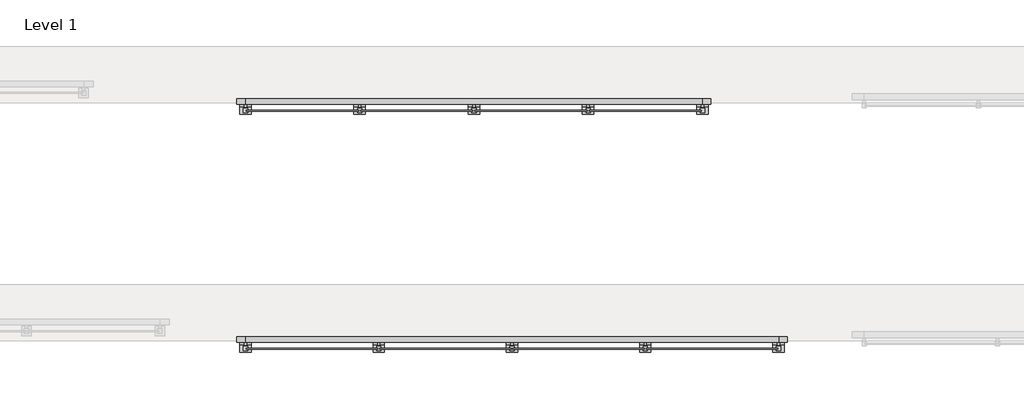
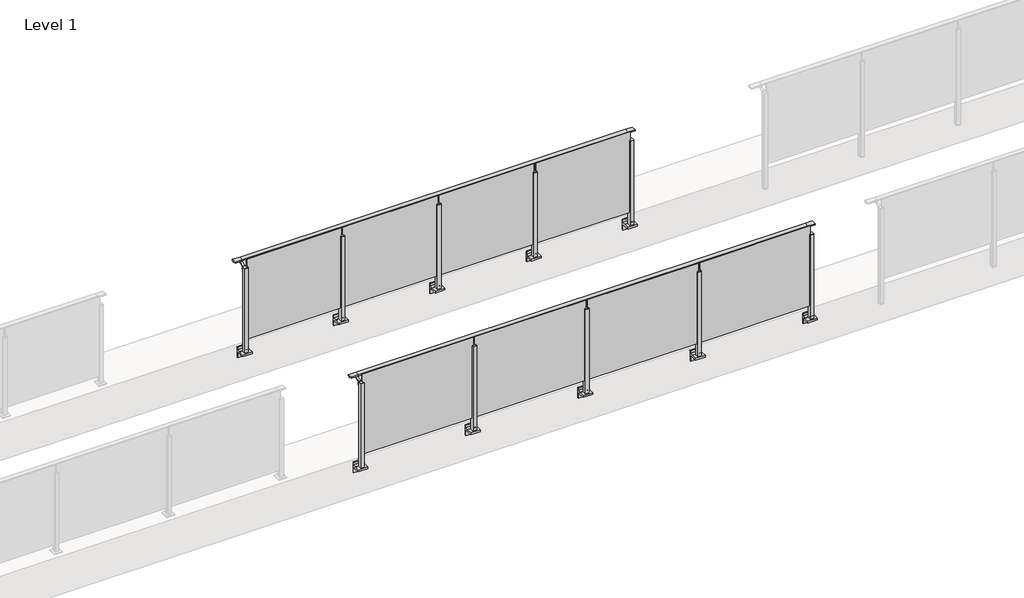
# One storey, part 59 of 64: 2 railings.
"""IFC4 building model written with IfcOpenShell, lengths in millimetres."""

from ifc_helpers import new_model, si_unit, point, frame, frame_2d, origin, place, context, project, spatial, polyline, circle_curve, trimmed, segment, composite_curve, outline, extrude, faceted_brep, element, save

model = new_model("IFC4")

# Units and contexts
model_context = context("Model", 3, world=origin())
ifc_project = project(units=[si_unit("LENGTHUNIT", "METRE", prefix="MILLI")], contexts=[model_context])

# Site, building, storey
site = spatial("IfcSite", under=ifc_project)
building = spatial("IfcBuilding", under=site)
storey = spatial("IfcBuildingStorey", under=building, Name="Level 1", Elevation=0.0)

# Railings
placement = place(None, origin())
element("IfcRailing", 1, at=placement, inside=storey, context=model_context, shape_type="SolidModel", body=[
    faceted_brep([(42910.0, 47443.1846828, 1100.0), (42910.0, 47443.1846828, 1085.0), (42910.0, 47428.1846828, 1085.0), (42910.0, 47428.1846828, 1073.0), (42910.0, 47423.1846828, 1073.0), (42910.0, 47423.1846828, 1085.0), (42910.0, 47383.1846828, 1085.0), (42910.0, 47383.1846828, 1100.0), (43000.0, 47443.1846828, 1100.0), (43000.0, 47443.1846828, 1085.0), (43000.0, 47423.1846828, 1085.0), (43000.0, 47383.1846828, 1085.0), (43000.0, 47383.1846828, 1100.0), (47800.0, 47443.1846828, 1100.0), (47800.0, 47443.1846828, 1085.0), (47800.0, 47423.1846828, 1085.0), (47800.0, 47383.1846828, 1085.0), (47800.0, 47383.1846828, 1100.0), (47890.0, 47443.1846828, 1100.0), (47890.0, 47383.1846828, 1100.0), (47890.0, 47383.1846828, 1085.0), (47890.0, 47423.1846828, 1085.0), (47890.0, 47423.1846828, 1073.0), (47890.0, 47428.1846828, 1073.0), (47890.0, 47428.1846828, 1085.0), (47890.0, 47443.1846828, 1085.0), (43000.0, 47428.1846828, 1085.0), (47800.0, 47428.1846828, 1085.0), (43000.0, 47428.1846828, 1073.0), (43000.0, 47423.1846828, 1073.0), (47800.0, 47428.1846828, 1073.0), (47800.0, 47423.1846828, 1073.0)], [[[0, 1, 2, 3, 4, 5, 6, 7]], [[1, 0, 8, 9]], [[6, 5, 10, 11]], [[7, 6, 11, 12]], [[0, 7, 12, 8]], [[9, 8, 13, 14]], [[11, 10, 15, 16]], [[12, 11, 16, 17]], [[8, 12, 17, 13]], [[18, 19, 20, 21, 22, 23, 24, 25]], [[14, 13, 18, 25]], [[16, 15, 21, 20]], [[17, 16, 20, 19]], [[13, 17, 19, 18]], [[2, 1, 9, 26]], [[26, 9, 14, 27]], [[27, 14, 25, 24]], [[3, 2, 26, 28]], [[4, 3, 28, 29]], [[5, 4, 29, 10]], [[28, 26, 27, 30]], [[29, 28, 30, 31]], [[10, 29, 31, 15]], [[30, 27, 24, 23]], [[31, 30, 23, 22]], [[15, 31, 22, 21]]]),
    extrude(outline(polyline([(46610.0, 47311.9094929), (46610.0, 47321.9094929), (47790.0, 47321.9094929), (47790.0, 47311.9094929), (46610.0, 47311.9094929)])), frame((0.0, 0.0, 95.0), z_axis=(0.0, 0.0, 1.0), x_axis=(1.0, 0.0, 0.0)), (0.0, 0.0, 1.0), 1055.0),
    extrude(outline(composite_curve([segment(polyline([(47438.1846828, 1085.0), (47438.1846828, 1060.900037)]), True, "CONTINUOUS"), segment(trimmed(circle_curve(frame_2d((47428.1846828, 1060.900037)), 10.0), [point((47438.1846828, 1060.900037))], [point((47430.7728733, 1051.2407787))], False, "CARTESIAN"), True, "CONTINUOUS"), segment(polyline([(47430.7728733, 1051.2407787), (47373.7244733, 1035.9547061)]), True, "CONTINUOUS"), segment(trimmed(circle_curve(frame_2d((47376.3126638, 1026.2954478)), 10.0), [point((47373.7244733, 1035.9547061))], [point((47366.3982152, 1027.6007097))], True, "CARTESIAN"), True, "CONTINUOUS"), segment(polyline([(47366.3982152, 1027.6007097), (47361.791393, 992.6084214)]), True, "CONTINUOUS"), segment(trimmed(circle_curve(frame_2d((47358.8170584, 993.0)), 3.0), [point((47361.791393, 992.6084214))], [point((47358.8170584, 990.0))], False, "CARTESIAN"), True, "CONTINUOUS"), segment(polyline([(47358.8170584, 990.0), (47350.1846828, 990.0), (47350.1846828, 1040.0), (47414.1846828, 1057.1487483), (47414.1846828, 1085.0), (47438.1846828, 1085.0)]), True, "CONTINUOUS")], self_intersect=False)), frame((46587.5, 0.0, 0.0), z_axis=(1.0, 0.0, 0.0), x_axis=(0.0, 1.0, 0.0)), (0.0, 0.0, 1.0), 25.0),
    extrude(outline(composite_curve([segment(polyline([(47350.1846828, -70.0), (47384.1846828, -63.0), (47384.1846828, -32.5), (47400.1846828, -32.5), (47400.1846828, -167.5), (47384.1846828, -167.5), (47384.1846828, -113.5)]), True, "CONTINUOUS"), segment(trimmed(circle_curve(frame_2d((47364.1846828, -113.5)), 20.0), [point((47384.1846828, -113.5))], [point((47364.1846828, -93.5))], True, "CARTESIAN"), True, "CONTINUOUS"), segment(polyline([(47364.1846828, -93.5), (47280.1846828, -93.5), (47280.1846828, -70.0), (47350.1846828, -70.0)]), True, "CONTINUOUS")], self_intersect=False)), frame((46540.0, 0.0, 0.0), z_axis=(1.0, 0.0, 0.0), x_axis=(0.0, 1.0, 0.0)), (0.0, 0.0, 1.0), 120.0),
    extrude(outline(polyline([(46622.5, 47340.1846828), (46622.5, 47295.1846828), (46577.5, 47295.1846828), (46577.5, 47340.1846828), (46622.5, 47340.1846828)])), frame((0.0, 0.0, -70.0), z_axis=(0.0, 0.0, 1.0), x_axis=(1.0, 0.0, 0.0)), (0.0, 0.0, 1.0), 1110.0),
    extrude(outline(polyline([(46622.5, 47340.1846828), (46622.5, 47295.1846828), (46577.5, 47295.1846828), (46577.5, 47340.1846828), (46622.5, 47340.1846828)])), frame((0.0, 0.0, 1040.0), z_axis=(0.0, 0.0, 1.0), x_axis=(1.0, 0.0, 0.0)), (0.0, 0.0, 1.0), 5.0),
    extrude(outline(polyline([(45410.0, 47311.9094929), (45410.0, 47321.9094929), (46590.0, 47321.9094929), (46590.0, 47311.9094929), (45410.0, 47311.9094929)])), frame((0.0, 0.0, 95.0), z_axis=(0.0, 0.0, 1.0), x_axis=(1.0, 0.0, 0.0)), (0.0, 0.0, 1.0), 1055.0),
    extrude(outline(composite_curve([segment(polyline([(47438.1846828, 1085.0), (47438.1846828, 1060.900037)]), True, "CONTINUOUS"), segment(trimmed(circle_curve(frame_2d((47428.1846828, 1060.900037)), 10.0), [point((47438.1846828, 1060.900037))], [point((47430.7728733, 1051.2407787))], False, "CARTESIAN"), True, "CONTINUOUS"), segment(polyline([(47430.7728733, 1051.2407787), (47373.7244733, 1035.9547061)]), True, "CONTINUOUS"), segment(trimmed(circle_curve(frame_2d((47376.3126638, 1026.2954478)), 10.0), [point((47373.7244733, 1035.9547061))], [point((47366.3982152, 1027.6007097))], True, "CARTESIAN"), True, "CONTINUOUS"), segment(polyline([(47366.3982152, 1027.6007097), (47361.791393, 992.6084214)]), True, "CONTINUOUS"), segment(trimmed(circle_curve(frame_2d((47358.8170584, 993.0)), 3.0), [point((47361.791393, 992.6084214))], [point((47358.8170584, 990.0))], False, "CARTESIAN"), True, "CONTINUOUS"), segment(polyline([(47358.8170584, 990.0), (47350.1846828, 990.0), (47350.1846828, 1040.0), (47414.1846828, 1057.1487483), (47414.1846828, 1085.0), (47438.1846828, 1085.0)]), True, "CONTINUOUS")], self_intersect=False)), frame((45387.5, 0.0, 0.0), z_axis=(1.0, 0.0, 0.0), x_axis=(0.0, 1.0, 0.0)), (0.0, 0.0, 1.0), 25.0),
    extrude(outline(composite_curve([segment(polyline([(47350.1846828, -70.0), (47384.1846828, -63.0), (47384.1846828, -32.5), (47400.1846828, -32.5), (47400.1846828, -167.5), (47384.1846828, -167.5), (47384.1846828, -113.5)]), True, "CONTINUOUS"), segment(trimmed(circle_curve(frame_2d((47364.1846828, -113.5)), 20.0), [point((47384.1846828, -113.5))], [point((47364.1846828, -93.5))], True, "CARTESIAN"), True, "CONTINUOUS"), segment(polyline([(47364.1846828, -93.5), (47280.1846828, -93.5), (47280.1846828, -70.0), (47350.1846828, -70.0)]), True, "CONTINUOUS")], self_intersect=False)), frame((45340.0, 0.0, 0.0), z_axis=(1.0, 0.0, 0.0), x_axis=(0.0, 1.0, 0.0)), (0.0, 0.0, 1.0), 120.0),
    extrude(outline(polyline([(45422.5, 47340.1846828), (45422.5, 47295.1846828), (45377.5, 47295.1846828), (45377.5, 47340.1846828), (45422.5, 47340.1846828)])), frame((0.0, 0.0, -70.0), z_axis=(0.0, 0.0, 1.0), x_axis=(1.0, 0.0, 0.0)), (0.0, 0.0, 1.0), 1110.0),
    extrude(outline(polyline([(45422.5, 47340.1846828), (45422.5, 47295.1846828), (45377.5, 47295.1846828), (45377.5, 47340.1846828), (45422.5, 47340.1846828)])), frame((0.0, 0.0, 1040.0), z_axis=(0.0, 0.0, 1.0), x_axis=(1.0, 0.0, 0.0)), (0.0, 0.0, 1.0), 5.0),
    extrude(outline(polyline([(44210.0, 47311.9094929), (44210.0, 47321.9094929), (45390.0, 47321.9094929), (45390.0, 47311.9094929), (44210.0, 47311.9094929)])), frame((0.0, 0.0, 95.0), z_axis=(0.0, 0.0, 1.0), x_axis=(1.0, 0.0, 0.0)), (0.0, 0.0, 1.0), 1055.0),
    extrude(outline(composite_curve([segment(polyline([(47438.1846828, 1085.0), (47438.1846828, 1060.900037)]), True, "CONTINUOUS"), segment(trimmed(circle_curve(frame_2d((47428.1846828, 1060.900037)), 10.0), [point((47438.1846828, 1060.900037))], [point((47430.7728733, 1051.2407787))], False, "CARTESIAN"), True, "CONTINUOUS"), segment(polyline([(47430.7728733, 1051.2407787), (47373.7244733, 1035.9547061)]), True, "CONTINUOUS"), segment(trimmed(circle_curve(frame_2d((47376.3126638, 1026.2954478)), 10.0), [point((47373.7244733, 1035.9547061))], [point((47366.3982152, 1027.6007097))], True, "CARTESIAN"), True, "CONTINUOUS"), segment(polyline([(47366.3982152, 1027.6007097), (47361.791393, 992.6084214)]), True, "CONTINUOUS"), segment(trimmed(circle_curve(frame_2d((47358.8170584, 993.0)), 3.0), [point((47361.791393, 992.6084214))], [point((47358.8170584, 990.0))], False, "CARTESIAN"), True, "CONTINUOUS"), segment(polyline([(47358.8170584, 990.0), (47350.1846828, 990.0), (47350.1846828, 1040.0), (47414.1846828, 1057.1487483), (47414.1846828, 1085.0), (47438.1846828, 1085.0)]), True, "CONTINUOUS")], self_intersect=False)), frame((44187.5, 0.0, 0.0), z_axis=(1.0, 0.0, 0.0), x_axis=(0.0, 1.0, 0.0)), (0.0, 0.0, 1.0), 25.0),
    extrude(outline(composite_curve([segment(polyline([(47350.1846828, -70.0), (47384.1846828, -63.0), (47384.1846828, -32.5), (47400.1846828, -32.5), (47400.1846828, -167.5), (47384.1846828, -167.5), (47384.1846828, -113.5)]), True, "CONTINUOUS"), segment(trimmed(circle_curve(frame_2d((47364.1846828, -113.5)), 20.0), [point((47384.1846828, -113.5))], [point((47364.1846828, -93.5))], True, "CARTESIAN"), True, "CONTINUOUS"), segment(polyline([(47364.1846828, -93.5), (47280.1846828, -93.5), (47280.1846828, -70.0), (47350.1846828, -70.0)]), True, "CONTINUOUS")], self_intersect=False)), frame((44140.0, 0.0, 0.0), z_axis=(1.0, 0.0, 0.0), x_axis=(0.0, 1.0, 0.0)), (0.0, 0.0, 1.0), 120.0),
    extrude(outline(polyline([(44222.5, 47340.1846828), (44222.5, 47295.1846828), (44177.5, 47295.1846828), (44177.5, 47340.1846828), (44222.5, 47340.1846828)])), frame((0.0, 0.0, -70.0), z_axis=(0.0, 0.0, 1.0), x_axis=(1.0, 0.0, 0.0)), (0.0, 0.0, 1.0), 1110.0),
    extrude(outline(polyline([(44222.5, 47340.1846828), (44222.5, 47295.1846828), (44177.5, 47295.1846828), (44177.5, 47340.1846828), (44222.5, 47340.1846828)])), frame((0.0, 0.0, 1040.0), z_axis=(0.0, 0.0, 1.0), x_axis=(1.0, 0.0, 0.0)), (0.0, 0.0, 1.0), 5.0),
    extrude(outline(polyline([(43010.0, 47311.9094929), (43010.0, 47321.9094929), (44190.0, 47321.9094929), (44190.0, 47311.9094929), (43010.0, 47311.9094929)])), frame((0.0, 0.0, 95.0), z_axis=(0.0, 0.0, 1.0), x_axis=(1.0, 0.0, 0.0)), (0.0, 0.0, 1.0), 1055.0),
    extrude(outline(composite_curve([segment(polyline([(47438.1846828, 1085.0), (47438.1846828, 1060.900037)]), True, "CONTINUOUS"), segment(trimmed(circle_curve(frame_2d((47428.1846828, 1060.900037)), 10.0), [point((47438.1846828, 1060.900037))], [point((47430.7728733, 1051.2407787))], False, "CARTESIAN"), True, "CONTINUOUS"), segment(polyline([(47430.7728733, 1051.2407787), (47373.7244733, 1035.9547061)]), True, "CONTINUOUS"), segment(trimmed(circle_curve(frame_2d((47376.3126638, 1026.2954478)), 10.0), [point((47373.7244733, 1035.9547061))], [point((47366.3982152, 1027.6007097))], True, "CARTESIAN"), True, "CONTINUOUS"), segment(polyline([(47366.3982152, 1027.6007097), (47361.791393, 992.6084214)]), True, "CONTINUOUS"), segment(trimmed(circle_curve(frame_2d((47358.8170584, 993.0)), 3.0), [point((47361.791393, 992.6084214))], [point((47358.8170584, 990.0))], False, "CARTESIAN"), True, "CONTINUOUS"), segment(polyline([(47358.8170584, 990.0), (47350.1846828, 990.0), (47350.1846828, 1040.0), (47414.1846828, 1057.1487483), (47414.1846828, 1085.0), (47438.1846828, 1085.0)]), True, "CONTINUOUS")], self_intersect=False)), frame((47787.5, 0.0, 0.0), z_axis=(1.0, 0.0, 0.0), x_axis=(0.0, 1.0, 0.0)), (0.0, 0.0, 1.0), 25.0),
    extrude(outline(composite_curve([segment(polyline([(47350.1846828, -70.0), (47384.1846828, -63.0), (47384.1846828, -32.5), (47400.1846828, -32.5), (47400.1846828, -167.5), (47384.1846828, -167.5), (47384.1846828, -113.5)]), True, "CONTINUOUS"), segment(trimmed(circle_curve(frame_2d((47364.1846828, -113.5)), 20.0), [point((47384.1846828, -113.5))], [point((47364.1846828, -93.5))], True, "CARTESIAN"), True, "CONTINUOUS"), segment(polyline([(47364.1846828, -93.5), (47280.1846828, -93.5), (47280.1846828, -70.0), (47350.1846828, -70.0)]), True, "CONTINUOUS")], self_intersect=False)), frame((47740.0, 0.0, 0.0), z_axis=(1.0, 0.0, 0.0), x_axis=(0.0, 1.0, 0.0)), (0.0, 0.0, 1.0), 120.0),
    extrude(outline(polyline([(47822.5, 47340.1846828), (47822.5, 47295.1846828), (47777.5, 47295.1846828), (47777.5, 47340.1846828), (47822.5, 47340.1846828)])), frame((0.0, 0.0, -70.0), z_axis=(0.0, 0.0, 1.0), x_axis=(1.0, 0.0, 0.0)), (0.0, 0.0, 1.0), 1110.0),
    extrude(outline(polyline([(47822.5, 47340.1846828), (47822.5, 47295.1846828), (47777.5, 47295.1846828), (47777.5, 47340.1846828), (47822.5, 47340.1846828)])), frame((0.0, 0.0, 1040.0), z_axis=(0.0, 0.0, 1.0), x_axis=(1.0, 0.0, 0.0)), (0.0, 0.0, 1.0), 5.0),
    extrude(outline(composite_curve([segment(polyline([(47438.1846828, 1085.0), (47438.1846828, 1060.900037)]), True, "CONTINUOUS"), segment(trimmed(circle_curve(frame_2d((47428.1846828, 1060.900037)), 10.0), [point((47438.1846828, 1060.900037))], [point((47430.7728733, 1051.2407787))], False, "CARTESIAN"), True, "CONTINUOUS"), segment(polyline([(47430.7728733, 1051.2407787), (47373.7244733, 1035.9547061)]), True, "CONTINUOUS"), segment(trimmed(circle_curve(frame_2d((47376.3126638, 1026.2954478)), 10.0), [point((47373.7244733, 1035.9547061))], [point((47366.3982152, 1027.6007097))], True, "CARTESIAN"), True, "CONTINUOUS"), segment(polyline([(47366.3982152, 1027.6007097), (47361.791393, 992.6084214)]), True, "CONTINUOUS"), segment(trimmed(circle_curve(frame_2d((47358.8170584, 993.0)), 3.0), [point((47361.791393, 992.6084214))], [point((47358.8170584, 990.0))], False, "CARTESIAN"), True, "CONTINUOUS"), segment(polyline([(47358.8170584, 990.0), (47350.1846828, 990.0), (47350.1846828, 1040.0), (47414.1846828, 1057.1487483), (47414.1846828, 1085.0), (47438.1846828, 1085.0)]), True, "CONTINUOUS")], self_intersect=False)), frame((42987.5, 0.0, 0.0), z_axis=(1.0, 0.0, 0.0), x_axis=(0.0, 1.0, 0.0)), (0.0, 0.0, 1.0), 25.0),
    extrude(outline(composite_curve([segment(polyline([(47350.1846828, -70.0), (47384.1846828, -63.0), (47384.1846828, -32.5), (47400.1846828, -32.5), (47400.1846828, -167.5), (47384.1846828, -167.5), (47384.1846828, -113.5)]), True, "CONTINUOUS"), segment(trimmed(circle_curve(frame_2d((47364.1846828, -113.5)), 20.0), [point((47384.1846828, -113.5))], [point((47364.1846828, -93.5))], True, "CARTESIAN"), True, "CONTINUOUS"), segment(polyline([(47364.1846828, -93.5), (47280.1846828, -93.5), (47280.1846828, -70.0), (47350.1846828, -70.0)]), True, "CONTINUOUS")], self_intersect=False)), frame((42940.0, 0.0, 0.0), z_axis=(1.0, 0.0, 0.0), x_axis=(0.0, 1.0, 0.0)), (0.0, 0.0, 1.0), 120.0),
    extrude(outline(polyline([(43022.5, 47340.1846828), (43022.5, 47295.1846828), (42977.5, 47295.1846828), (42977.5, 47340.1846828), (43022.5, 47340.1846828)])), frame((0.0, 0.0, -70.0), z_axis=(0.0, 0.0, 1.0), x_axis=(1.0, 0.0, 0.0)), (0.0, 0.0, 1.0), 1110.0),
    extrude(outline(polyline([(43022.5, 47340.1846828), (43022.5, 47295.1846828), (42977.5, 47295.1846828), (42977.5, 47340.1846828), (43022.5, 47340.1846828)])), frame((0.0, 0.0, 1040.0), z_axis=(0.0, 0.0, 1.0), x_axis=(1.0, 0.0, 0.0)), (0.0, 0.0, 1.0), 5.0),
])
element("IfcRailing", 2, at=placement, inside=storey, context=model_context, shape_type="SolidModel", body=[
    faceted_brep([(42910.0, 44943.1846828, 1100.0), (42910.0, 44943.1846828, 1085.0), (42910.0, 44928.1846828, 1085.0), (42910.0, 44928.1846828, 1073.0), (42910.0, 44923.1846828, 1073.0), (42910.0, 44923.1846828, 1085.0), (42910.0, 44883.1846828, 1085.0), (42910.0, 44883.1846828, 1100.0), (43000.0, 44943.1846828, 1100.0), (43000.0, 44943.1846828, 1085.0), (43000.0, 44923.1846828, 1085.0), (43000.0, 44883.1846828, 1085.0), (43000.0, 44883.1846828, 1100.0), (48600.0, 44943.1846828, 1100.0), (48600.0, 44943.1846828, 1085.0), (48600.0, 44923.1846828, 1085.0), (48600.0, 44883.1846828, 1085.0), (48600.0, 44883.1846828, 1100.0), (48690.0, 44943.1846828, 1100.0), (48690.0, 44883.1846828, 1100.0), (48690.0, 44883.1846828, 1085.0), (48690.0, 44923.1846828, 1085.0), (48690.0, 44923.1846828, 1073.0), (48690.0, 44928.1846828, 1073.0), (48690.0, 44928.1846828, 1085.0), (48690.0, 44943.1846828, 1085.0), (43000.0, 44928.1846828, 1085.0), (48600.0, 44928.1846828, 1085.0), (43000.0, 44928.1846828, 1073.0), (43000.0, 44923.1846828, 1073.0), (48600.0, 44928.1846828, 1073.0), (48600.0, 44923.1846828, 1073.0)], [[[0, 1, 2, 3, 4, 5, 6, 7]], [[1, 0, 8, 9]], [[6, 5, 10, 11]], [[7, 6, 11, 12]], [[0, 7, 12, 8]], [[9, 8, 13, 14]], [[11, 10, 15, 16]], [[12, 11, 16, 17]], [[8, 12, 17, 13]], [[18, 19, 20, 21, 22, 23, 24, 25]], [[14, 13, 18, 25]], [[16, 15, 21, 20]], [[17, 16, 20, 19]], [[13, 17, 19, 18]], [[2, 1, 9, 26]], [[26, 9, 14, 27]], [[27, 14, 25, 24]], [[3, 2, 26, 28]], [[4, 3, 28, 29]], [[5, 4, 29, 10]], [[28, 26, 27, 30]], [[29, 28, 30, 31]], [[10, 29, 31, 15]], [[30, 27, 24, 23]], [[31, 30, 23, 22]], [[15, 31, 22, 21]]]),
    extrude(outline(polyline([(47210.0, 44811.9094929), (47210.0, 44821.9094929), (48590.0, 44821.9094929), (48590.0, 44811.9094929), (47210.0, 44811.9094929)])), frame((0.0, 0.0, 95.0), z_axis=(0.0, 0.0, 1.0), x_axis=(1.0, 0.0, 0.0)), (0.0, 0.0, 1.0), 1055.0),
    extrude(outline(composite_curve([segment(polyline([(44938.1846828, 1085.0), (44938.1846828, 1060.900037)]), True, "CONTINUOUS"), segment(trimmed(circle_curve(frame_2d((44928.1846828, 1060.900037)), 10.0), [point((44938.1846828, 1060.900037))], [point((44930.7728733, 1051.2407787))], False, "CARTESIAN"), True, "CONTINUOUS"), segment(polyline([(44930.7728733, 1051.2407787), (44873.7244733, 1035.9547061)]), True, "CONTINUOUS"), segment(trimmed(circle_curve(frame_2d((44876.3126638, 1026.2954478)), 10.0), [point((44873.7244733, 1035.9547061))], [point((44866.3982152, 1027.6007097))], True, "CARTESIAN"), True, "CONTINUOUS"), segment(polyline([(44866.3982152, 1027.6007097), (44861.791393, 992.6084214)]), True, "CONTINUOUS"), segment(trimmed(circle_curve(frame_2d((44858.8170584, 993.0)), 3.0), [point((44861.791393, 992.6084214))], [point((44858.8170584, 990.0))], False, "CARTESIAN"), True, "CONTINUOUS"), segment(polyline([(44858.8170584, 990.0), (44850.1846828, 990.0), (44850.1846828, 1040.0), (44914.1846828, 1057.1487483), (44914.1846828, 1085.0), (44938.1846828, 1085.0)]), True, "CONTINUOUS")], self_intersect=False)), frame((47187.5, 0.0, 0.0), z_axis=(1.0, 0.0, 0.0), x_axis=(0.0, 1.0, 0.0)), (0.0, 0.0, 1.0), 25.0),
    extrude(outline(composite_curve([segment(polyline([(44850.1846828, -70.0), (44884.1846828, -63.0), (44884.1846828, -32.5), (44900.1846828, -32.5), (44900.1846828, -167.5), (44884.1846828, -167.5), (44884.1846828, -113.5)]), True, "CONTINUOUS"), segment(trimmed(circle_curve(frame_2d((44864.1846828, -113.5)), 20.0), [point((44884.1846828, -113.5))], [point((44864.1846828, -93.5))], True, "CARTESIAN"), True, "CONTINUOUS"), segment(polyline([(44864.1846828, -93.5), (44780.1846828, -93.5), (44780.1846828, -70.0), (44850.1846828, -70.0)]), True, "CONTINUOUS")], self_intersect=False)), frame((47140.0, 0.0, 0.0), z_axis=(1.0, 0.0, 0.0), x_axis=(0.0, 1.0, 0.0)), (0.0, 0.0, 1.0), 120.0),
    extrude(outline(polyline([(47222.5, 44840.1846828), (47222.5, 44795.1846828), (47177.5, 44795.1846828), (47177.5, 44840.1846828), (47222.5, 44840.1846828)])), frame((0.0, 0.0, -70.0), z_axis=(0.0, 0.0, 1.0), x_axis=(1.0, 0.0, 0.0)), (0.0, 0.0, 1.0), 1110.0),
    extrude(outline(polyline([(47222.5, 44840.1846828), (47222.5, 44795.1846828), (47177.5, 44795.1846828), (47177.5, 44840.1846828), (47222.5, 44840.1846828)])), frame((0.0, 0.0, 1040.0), z_axis=(0.0, 0.0, 1.0), x_axis=(1.0, 0.0, 0.0)), (0.0, 0.0, 1.0), 5.0),
    extrude(outline(polyline([(45810.0, 44811.9094929), (45810.0, 44821.9094929), (47190.0, 44821.9094929), (47190.0, 44811.9094929), (45810.0, 44811.9094929)])), frame((0.0, 0.0, 95.0), z_axis=(0.0, 0.0, 1.0), x_axis=(1.0, 0.0, 0.0)), (0.0, 0.0, 1.0), 1055.0),
    extrude(outline(composite_curve([segment(polyline([(44938.1846828, 1085.0), (44938.1846828, 1060.900037)]), True, "CONTINUOUS"), segment(trimmed(circle_curve(frame_2d((44928.1846828, 1060.900037)), 10.0), [point((44938.1846828, 1060.900037))], [point((44930.7728733, 1051.2407787))], False, "CARTESIAN"), True, "CONTINUOUS"), segment(polyline([(44930.7728733, 1051.2407787), (44873.7244733, 1035.9547061)]), True, "CONTINUOUS"), segment(trimmed(circle_curve(frame_2d((44876.3126638, 1026.2954478)), 10.0), [point((44873.7244733, 1035.9547061))], [point((44866.3982152, 1027.6007097))], True, "CARTESIAN"), True, "CONTINUOUS"), segment(polyline([(44866.3982152, 1027.6007097), (44861.791393, 992.6084214)]), True, "CONTINUOUS"), segment(trimmed(circle_curve(frame_2d((44858.8170584, 993.0)), 3.0), [point((44861.791393, 992.6084214))], [point((44858.8170584, 990.0))], False, "CARTESIAN"), True, "CONTINUOUS"), segment(polyline([(44858.8170584, 990.0), (44850.1846828, 990.0), (44850.1846828, 1040.0), (44914.1846828, 1057.1487483), (44914.1846828, 1085.0), (44938.1846828, 1085.0)]), True, "CONTINUOUS")], self_intersect=False)), frame((45787.5, 0.0, 0.0), z_axis=(1.0, 0.0, 0.0), x_axis=(0.0, 1.0, 0.0)), (0.0, 0.0, 1.0), 25.0),
    extrude(outline(composite_curve([segment(polyline([(44850.1846828, -70.0), (44884.1846828, -63.0), (44884.1846828, -32.5), (44900.1846828, -32.5), (44900.1846828, -167.5), (44884.1846828, -167.5), (44884.1846828, -113.5)]), True, "CONTINUOUS"), segment(trimmed(circle_curve(frame_2d((44864.1846828, -113.5)), 20.0), [point((44884.1846828, -113.5))], [point((44864.1846828, -93.5))], True, "CARTESIAN"), True, "CONTINUOUS"), segment(polyline([(44864.1846828, -93.5), (44780.1846828, -93.5), (44780.1846828, -70.0), (44850.1846828, -70.0)]), True, "CONTINUOUS")], self_intersect=False)), frame((45740.0, 0.0, 0.0), z_axis=(1.0, 0.0, 0.0), x_axis=(0.0, 1.0, 0.0)), (0.0, 0.0, 1.0), 120.0),
    extrude(outline(polyline([(45822.5, 44840.1846828), (45822.5, 44795.1846828), (45777.5, 44795.1846828), (45777.5, 44840.1846828), (45822.5, 44840.1846828)])), frame((0.0, 0.0, -70.0), z_axis=(0.0, 0.0, 1.0), x_axis=(1.0, 0.0, 0.0)), (0.0, 0.0, 1.0), 1110.0),
    extrude(outline(polyline([(45822.5, 44840.1846828), (45822.5, 44795.1846828), (45777.5, 44795.1846828), (45777.5, 44840.1846828), (45822.5, 44840.1846828)])), frame((0.0, 0.0, 1040.0), z_axis=(0.0, 0.0, 1.0), x_axis=(1.0, 0.0, 0.0)), (0.0, 0.0, 1.0), 5.0),
    extrude(outline(polyline([(44410.0, 44811.9094929), (44410.0, 44821.9094929), (45790.0, 44821.9094929), (45790.0, 44811.9094929), (44410.0, 44811.9094929)])), frame((0.0, 0.0, 95.0), z_axis=(0.0, 0.0, 1.0), x_axis=(1.0, 0.0, 0.0)), (0.0, 0.0, 1.0), 1055.0),
    extrude(outline(composite_curve([segment(polyline([(44938.1846828, 1085.0), (44938.1846828, 1060.900037)]), True, "CONTINUOUS"), segment(trimmed(circle_curve(frame_2d((44928.1846828, 1060.900037)), 10.0), [point((44938.1846828, 1060.900037))], [point((44930.7728733, 1051.2407787))], False, "CARTESIAN"), True, "CONTINUOUS"), segment(polyline([(44930.7728733, 1051.2407787), (44873.7244733, 1035.9547061)]), True, "CONTINUOUS"), segment(trimmed(circle_curve(frame_2d((44876.3126638, 1026.2954478)), 10.0), [point((44873.7244733, 1035.9547061))], [point((44866.3982152, 1027.6007097))], True, "CARTESIAN"), True, "CONTINUOUS"), segment(polyline([(44866.3982152, 1027.6007097), (44861.791393, 992.6084214)]), True, "CONTINUOUS"), segment(trimmed(circle_curve(frame_2d((44858.8170584, 993.0)), 3.0), [point((44861.791393, 992.6084214))], [point((44858.8170584, 990.0))], False, "CARTESIAN"), True, "CONTINUOUS"), segment(polyline([(44858.8170584, 990.0), (44850.1846828, 990.0), (44850.1846828, 1040.0), (44914.1846828, 1057.1487483), (44914.1846828, 1085.0), (44938.1846828, 1085.0)]), True, "CONTINUOUS")], self_intersect=False)), frame((44387.5, 0.0, 0.0), z_axis=(1.0, 0.0, 0.0), x_axis=(0.0, 1.0, 0.0)), (0.0, 0.0, 1.0), 25.0),
    extrude(outline(composite_curve([segment(polyline([(44850.1846828, -70.0), (44884.1846828, -63.0), (44884.1846828, -32.5), (44900.1846828, -32.5), (44900.1846828, -167.5), (44884.1846828, -167.5), (44884.1846828, -113.5)]), True, "CONTINUOUS"), segment(trimmed(circle_curve(frame_2d((44864.1846828, -113.5)), 20.0), [point((44884.1846828, -113.5))], [point((44864.1846828, -93.5))], True, "CARTESIAN"), True, "CONTINUOUS"), segment(polyline([(44864.1846828, -93.5), (44780.1846828, -93.5), (44780.1846828, -70.0), (44850.1846828, -70.0)]), True, "CONTINUOUS")], self_intersect=False)), frame((44340.0, 0.0, 0.0), z_axis=(1.0, 0.0, 0.0), x_axis=(0.0, 1.0, 0.0)), (0.0, 0.0, 1.0), 120.0),
    extrude(outline(polyline([(44422.5, 44840.1846828), (44422.5, 44795.1846828), (44377.5, 44795.1846828), (44377.5, 44840.1846828), (44422.5, 44840.1846828)])), frame((0.0, 0.0, -70.0), z_axis=(0.0, 0.0, 1.0), x_axis=(1.0, 0.0, 0.0)), (0.0, 0.0, 1.0), 1110.0),
    extrude(outline(polyline([(44422.5, 44840.1846828), (44422.5, 44795.1846828), (44377.5, 44795.1846828), (44377.5, 44840.1846828), (44422.5, 44840.1846828)])), frame((0.0, 0.0, 1040.0), z_axis=(0.0, 0.0, 1.0), x_axis=(1.0, 0.0, 0.0)), (0.0, 0.0, 1.0), 5.0),
    extrude(outline(polyline([(43010.0, 44811.9094929), (43010.0, 44821.9094929), (44390.0, 44821.9094929), (44390.0, 44811.9094929), (43010.0, 44811.9094929)])), frame((0.0, 0.0, 95.0), z_axis=(0.0, 0.0, 1.0), x_axis=(1.0, 0.0, 0.0)), (0.0, 0.0, 1.0), 1055.0),
    extrude(outline(composite_curve([segment(polyline([(44938.1846828, 1085.0), (44938.1846828, 1060.900037)]), True, "CONTINUOUS"), segment(trimmed(circle_curve(frame_2d((44928.1846828, 1060.900037)), 10.0), [point((44938.1846828, 1060.900037))], [point((44930.7728733, 1051.2407787))], False, "CARTESIAN"), True, "CONTINUOUS"), segment(polyline([(44930.7728733, 1051.2407787), (44873.7244733, 1035.9547061)]), True, "CONTINUOUS"), segment(trimmed(circle_curve(frame_2d((44876.3126638, 1026.2954478)), 10.0), [point((44873.7244733, 1035.9547061))], [point((44866.3982152, 1027.6007097))], True, "CARTESIAN"), True, "CONTINUOUS"), segment(polyline([(44866.3982152, 1027.6007097), (44861.791393, 992.6084214)]), True, "CONTINUOUS"), segment(trimmed(circle_curve(frame_2d((44858.8170584, 993.0)), 3.0), [point((44861.791393, 992.6084214))], [point((44858.8170584, 990.0))], False, "CARTESIAN"), True, "CONTINUOUS"), segment(polyline([(44858.8170584, 990.0), (44850.1846828, 990.0), (44850.1846828, 1040.0), (44914.1846828, 1057.1487483), (44914.1846828, 1085.0), (44938.1846828, 1085.0)]), True, "CONTINUOUS")], self_intersect=False)), frame((48587.5, 0.0, 0.0), z_axis=(1.0, 0.0, 0.0), x_axis=(0.0, 1.0, 0.0)), (0.0, 0.0, 1.0), 25.0),
    extrude(outline(composite_curve([segment(polyline([(44850.1846828, -70.0), (44884.1846828, -63.0), (44884.1846828, -32.5), (44900.1846828, -32.5), (44900.1846828, -167.5), (44884.1846828, -167.5), (44884.1846828, -113.5)]), True, "CONTINUOUS"), segment(trimmed(circle_curve(frame_2d((44864.1846828, -113.5)), 20.0), [point((44884.1846828, -113.5))], [point((44864.1846828, -93.5))], True, "CARTESIAN"), True, "CONTINUOUS"), segment(polyline([(44864.1846828, -93.5), (44780.1846828, -93.5), (44780.1846828, -70.0), (44850.1846828, -70.0)]), True, "CONTINUOUS")], self_intersect=False)), frame((48540.0, 0.0, 0.0), z_axis=(1.0, 0.0, 0.0), x_axis=(0.0, 1.0, 0.0)), (0.0, 0.0, 1.0), 120.0),
    extrude(outline(polyline([(48622.5, 44840.1846828), (48622.5, 44795.1846828), (48577.5, 44795.1846828), (48577.5, 44840.1846828), (48622.5, 44840.1846828)])), frame((0.0, 0.0, -70.0), z_axis=(0.0, 0.0, 1.0), x_axis=(1.0, 0.0, 0.0)), (0.0, 0.0, 1.0), 1110.0),
    extrude(outline(polyline([(48622.5, 44840.1846828), (48622.5, 44795.1846828), (48577.5, 44795.1846828), (48577.5, 44840.1846828), (48622.5, 44840.1846828)])), frame((0.0, 0.0, 1040.0), z_axis=(0.0, 0.0, 1.0), x_axis=(1.0, 0.0, 0.0)), (0.0, 0.0, 1.0), 5.0),
    extrude(outline(composite_curve([segment(polyline([(44938.1846828, 1085.0), (44938.1846828, 1060.900037)]), True, "CONTINUOUS"), segment(trimmed(circle_curve(frame_2d((44928.1846828, 1060.900037)), 10.0), [point((44938.1846828, 1060.900037))], [point((44930.7728733, 1051.2407787))], False, "CARTESIAN"), True, "CONTINUOUS"), segment(polyline([(44930.7728733, 1051.2407787), (44873.7244733, 1035.9547061)]), True, "CONTINUOUS"), segment(trimmed(circle_curve(frame_2d((44876.3126638, 1026.2954478)), 10.0), [point((44873.7244733, 1035.9547061))], [point((44866.3982152, 1027.6007097))], True, "CARTESIAN"), True, "CONTINUOUS"), segment(polyline([(44866.3982152, 1027.6007097), (44861.791393, 992.6084214)]), True, "CONTINUOUS"), segment(trimmed(circle_curve(frame_2d((44858.8170584, 993.0)), 3.0), [point((44861.791393, 992.6084214))], [point((44858.8170584, 990.0))], False, "CARTESIAN"), True, "CONTINUOUS"), segment(polyline([(44858.8170584, 990.0), (44850.1846828, 990.0), (44850.1846828, 1040.0), (44914.1846828, 1057.1487483), (44914.1846828, 1085.0), (44938.1846828, 1085.0)]), True, "CONTINUOUS")], self_intersect=False)), frame((42987.5, 0.0, 0.0), z_axis=(1.0, 0.0, 0.0), x_axis=(0.0, 1.0, 0.0)), (0.0, 0.0, 1.0), 25.0),
    extrude(outline(composite_curve([segment(polyline([(44850.1846828, -70.0), (44884.1846828, -63.0), (44884.1846828, -32.5), (44900.1846828, -32.5), (44900.1846828, -167.5), (44884.1846828, -167.5), (44884.1846828, -113.5)]), True, "CONTINUOUS"), segment(trimmed(circle_curve(frame_2d((44864.1846828, -113.5)), 20.0), [point((44884.1846828, -113.5))], [point((44864.1846828, -93.5))], True, "CARTESIAN"), True, "CONTINUOUS"), segment(polyline([(44864.1846828, -93.5), (44780.1846828, -93.5), (44780.1846828, -70.0), (44850.1846828, -70.0)]), True, "CONTINUOUS")], self_intersect=False)), frame((42940.0, 0.0, 0.0), z_axis=(1.0, 0.0, 0.0), x_axis=(0.0, 1.0, 0.0)), (0.0, 0.0, 1.0), 120.0),
    extrude(outline(polyline([(43022.5, 44840.1846828), (43022.5, 44795.1846828), (42977.5, 44795.1846828), (42977.5, 44840.1846828), (43022.5, 44840.1846828)])), frame((0.0, 0.0, -70.0), z_axis=(0.0, 0.0, 1.0), x_axis=(1.0, 0.0, 0.0)), (0.0, 0.0, 1.0), 1110.0),
    extrude(outline(polyline([(43022.5, 44840.1846828), (43022.5, 44795.1846828), (42977.5, 44795.1846828), (42977.5, 44840.1846828), (43022.5, 44840.1846828)])), frame((0.0, 0.0, 1040.0), z_axis=(0.0, 0.0, 1.0), x_axis=(1.0, 0.0, 0.0)), (0.0, 0.0, 1.0), 5.0),
])

save(model, "model.ifc")
